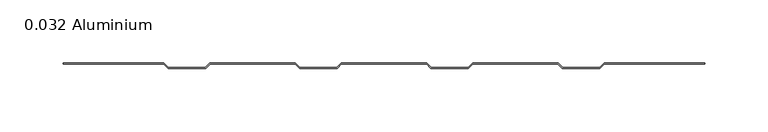
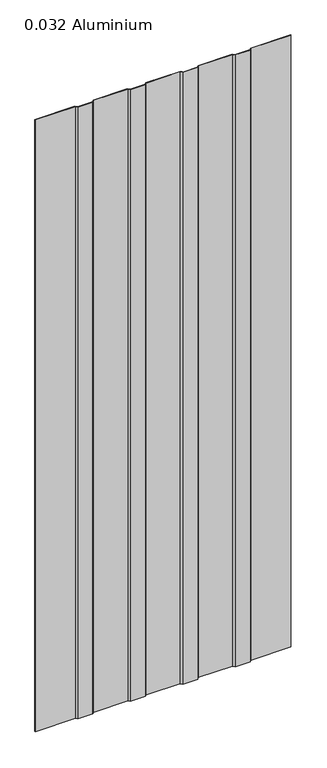
"""IFC4 building model written with IfcOpenShell, lengths in millimetres: plate geometry, 0.032 Aluminium."""

from ifc_helpers import new_model, si_unit, origin, origin_with_axes, place, context, project, spatial, polyline, outline, extrude, source, transform, mapped, element, save


def plate_0_032_aluminium_d35da513(model_context):
    return source(origin(), model_context, "Body", "SweptSolid", [
        extrude(outline(polyline([(33.654793, 0.0), (-33.654793, 0.0), (-37.203173, -3.54838), (-66.870787, -3.54838), (-70.419167, 0.0), (-137.728753, 0.0), (-141.277133, -3.54838), (-170.944747, -3.54838), (-174.493127, 0.0), (-254.0, 0.0), (-254.0, 0.8128), (-174.42942, 0.8128), (-170.88104, -2.73558), (-141.34084, -2.73558), (-137.79246, 0.8128), (-70.35546, 0.8128), (-66.80708, -2.73558), (-37.26688, -2.73558), (-33.7185, 0.8128), (33.7185, 0.8128), (37.26688, -2.73558), (66.80708, -2.73558), (70.35546, 0.8128), (137.79246, 0.8128), (141.34084, -2.73558), (170.88104, -2.73558), (174.42942, 0.8128), (254.0, 0.8128), (254.0, 0.0), (174.493127, 0.0), (170.944747, -3.54838), (141.277133, -3.54838), (137.728753, 0.0), (70.419167, 0.0), (66.870787, -3.54838), (37.203173, -3.54838), (33.654793, 0.0)])), origin_with_axes(), (0.0, 0.0, 1.0), 1285.875),
    ])


if __name__ == "__main__":
    model = new_model("IFC4")
    model_context = context("Model", 3, world=origin())
    ifc_project = project(units=[si_unit("LENGTHUNIT", "METRE", prefix="MILLI")], contexts=[model_context])
    site = spatial("IfcSite", under=ifc_project)
    building = spatial("IfcBuilding", under=site)
    placement = place(None, origin())
    plate_0_032_aluminium_shape = plate_0_032_aluminium_d35da513(model_context)
    element("IfcPlate", 1, ObjectType="0.032 Aluminium", at=placement, inside=building, context=model_context, shape_type="MappedRepresentation", body=[
        mapped(plate_0_032_aluminium_shape, transform((0.0, 0.0, 0.0), x_axis=(1.0, 0.0, 0.0), y_axis=(0.0, 1.0, 0.0), z_axis=(0.0, 0.0, 1.0))),
    ])
    save(model, "model.ifc")
